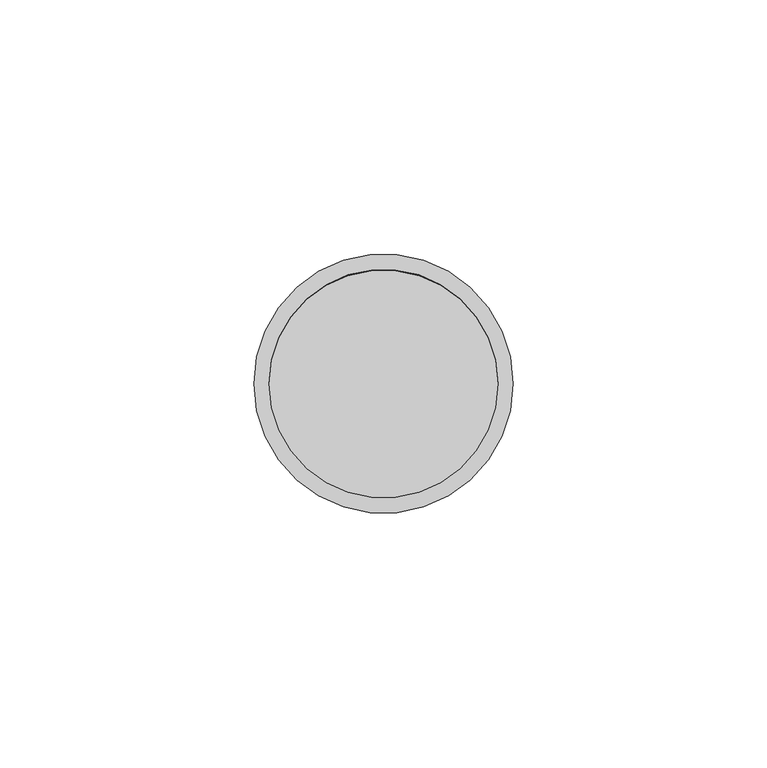
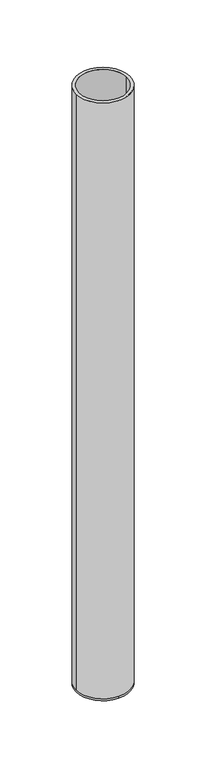
"""IFC4 building model written with IfcOpenShell, lengths in millimetres: beam geometry."""

import ifcopenshell
import ifcopenshell.guid

model = None  # the IFC model being written
_history = None  # IfcOwnerHistory: only IFC2X3 demands one
_inside = {}  # id of a spatial element -> (the spatial element, [elements in it])
_under = {}  # id of a project, library or spatial element -> (it, [spatial elements below it])
_declared = {}  # id of a project -> (the project, [libraries it declares])
_typed = {}  # id of a type object -> (the type object, [elements of that type])
_made_of = {}  # id of a material, layer set ... -> (it, [elements and type objects made of it])


def new_model(schema):
    """Start an empty IFC model of exactly this schema.

    Asked for "IFC4X3", IfcOpenShell would pick the latest addendum, in which some entities
    have other attributes; the version numbers below select the first issue.
    IFC2X3 requires an IfcOwnerHistory on every rooted entity: one is made here for all.
    """
    global model, _history
    if schema == "IFC4X3":
        model = ifcopenshell.file(schema_version=(4, 3, 0, 0))
    else:
        model = ifcopenshell.file(schema=schema)
    _inside.clear()
    _under.clear()
    _declared.clear()
    _typed.clear()
    _made_of.clear()
    _history = None
    if model.schema == "IFC2X3":
        org = make("IfcOrganization", Name="unknown")
        user = make(
            "IfcPersonAndOrganization",
            ThePerson=make("IfcPerson", FamilyName="unknown"),
            TheOrganization=org,
        )
        app = make(
            "IfcApplication",
            ApplicationDeveloper=org,
            Version="unknown",
            ApplicationFullName="unknown",
            ApplicationIdentifier="unknown",
        )
        _history = make(
            "IfcOwnerHistory",
            OwningUser=user,
            OwningApplication=app,
            ChangeAction="ADDED",
            CreationDate=0,
        )
    return model


def make(cls, **values):
    """One entity of the class cls with the attributes given. An attribute that is None is left unset."""
    return model.create_entity(
        cls, **{name: value for name, value in values.items() if value is not None}
    )


def rooted(cls, **values):
    """An entity with a GlobalId (a new one), such as an element, a storey or a relation."""
    return make(cls, GlobalId=ifcopenshell.guid.new(), OwnerHistory=_history, **values)


def si_unit(unit_type, name, prefix=None):
    """IfcSIUnit, for example si_unit("LENGTHUNIT", "METRE", prefix="MILLI")."""
    return make("IfcSIUnit", UnitType=unit_type, Prefix=prefix, Name=name)


def assignment(units):
    """IfcUnitAssignment: the units of a project."""
    return None if units is None else make("IfcUnitAssignment", Units=units)


def point(xyz):
    """IfcCartesianPoint."""
    return None if xyz is None else make("IfcCartesianPoint", Coordinates=xyz)


def direction(xyz):
    """IfcDirection."""
    return None if xyz is None else make("IfcDirection", DirectionRatios=xyz)


def frame(location, z_axis=None, x_axis=None):
    """IfcAxis2Placement3D, a coordinate frame: its origin and axes. An axis left out is left unset."""
    return make(
        "IfcAxis2Placement3D",
        Location=point(location),
        Axis=direction(z_axis),
        RefDirection=direction(x_axis),
    )


def origin():
    """The frame at (0, 0, 0) with its axes left unset."""
    return frame((0.0, 0.0, 0.0))


def place(relative_to, where):
    """IfcLocalPlacement: puts the frame where relative to a parent placement (None: the world)."""
    return make(
        "IfcLocalPlacement", PlacementRelTo=relative_to, RelativePlacement=where
    )


def context(
    kind, dimensions, precision=None, world=None, true_north=None, identifier=None
):
    """IfcGeometricRepresentationContext, for example the 3D "Model" context."""
    return make(
        "IfcGeometricRepresentationContext",
        ContextIdentifier=identifier,
        ContextType=kind,
        CoordinateSpaceDimension=dimensions,
        Precision=precision,
        WorldCoordinateSystem=world,
        TrueNorth=true_north,
    )


def project(units=None, contexts=None):
    """IfcProject with its units and contexts."""
    return rooted(
        "IfcProject",
        Name="project",
        RepresentationContexts=contexts,
        UnitsInContext=assignment(units),
    )


def spatial(cls, under=None, at=None, **own):
    """A site, building, storey or space (cls), placed at a placement, below another one or the project."""
    s = rooted(cls, ObjectPlacement=at, **own)
    if under is not None:
        _under.setdefault(under.id(), (under, []))[1].append(s)
    return s


def polyline(points):
    """IfcPolyline through the points."""
    return make("IfcPolyline", Points=[point(p) for p in points])


def circle_curve(where, radius):
    """IfcCircle in the frame where."""
    return make("IfcCircle", Position=where, Radius=radius)


def shape(context_of_items, identifier, shape_type, items):
    """IfcShapeRepresentation: the items that make up one representation, for example the "Body"."""
    return make(
        "IfcShapeRepresentation",
        ContextOfItems=context_of_items,
        RepresentationIdentifier=identifier,
        RepresentationType=shape_type,
        Items=items,
    )


def source(mapping_origin, context_of_items, identifier, shape_type, items):
    """IfcRepresentationMap: a shape defined once, which mapped items show again and again."""
    return make(
        "IfcRepresentationMap",
        MappingOrigin=mapping_origin,
        MappedRepresentation=shape(context_of_items, identifier, shape_type, items),
    )


def transform(
    local_origin,
    x_axis=None,
    y_axis=None,
    z_axis=None,
    scale=None,
    scale2=None,
    scale3=None,
    uniform=True,
):
    """IfcCartesianTransformationOperator3D, or its non-uniform kind. x_axis, y_axis, z_axis: its Axis1, 2, 3."""
    if uniform:
        return make(
            "IfcCartesianTransformationOperator3D",
            Axis1=direction(x_axis),
            Axis2=direction(y_axis),
            LocalOrigin=point(local_origin),
            Scale=scale,
            Axis3=direction(z_axis),
        )
    return make(
        "IfcCartesianTransformationOperator3DnonUniform",
        Axis1=direction(x_axis),
        Axis2=direction(y_axis),
        LocalOrigin=point(local_origin),
        Scale=scale,
        Axis3=direction(z_axis),
        Scale2=scale2,
        Scale3=scale3,
    )


def mapped(mapping_source, mapping_target):
    """IfcMappedItem: shows the shape of a source again, moved by a transform."""
    return make(
        "IfcMappedItem", MappingSource=mapping_source, MappingTarget=mapping_target
    )


def made_of(thing, what):
    """Note that an element or type object is made of a material, layer set ...; save() writes the relation."""
    if what is not None:
        _made_of.setdefault(what.id(), (what, []))[1].append(thing)
    return thing


def element(
    cls,
    number,
    at=None,
    inside=None,
    cuts=None,
    type_object=None,
    material=None,
    context=None,
    identifier="Body",
    shape_type=None,
    held_by="IfcProductDefinitionShape",
    body=None,
    shapes=None,
    **own,
):
    """One element of the class cls, such as IfcWall. Its Tag is "e" and its number.

    at: its placement. inside: the storey or other place that contains it. cuts: it is an
    opening in that element (IfcRelVoidsElement). A single representation is given by context,
    identifier, shape_type and body (its items); several are given by shapes. held_by: the class
    of the entity that holds the representations. save() writes the other relations.
    """
    e = rooted(cls, Tag="e%d" % number, ObjectPlacement=at, **own)
    if body is not None:
        shapes = [shape(context, identifier, shape_type, body)]
    if shapes is not None:
        e.Representation = make(held_by, Representations=shapes)
    if inside is not None:
        _inside.setdefault(inside.id(), (inside, []))[1].append(e)
    if cuts is not None:
        rooted(
            "IfcRelVoidsElement", RelatingBuildingElement=cuts, RelatedOpeningElement=e
        )
    if type_object is not None:
        _typed.setdefault(type_object.id(), (type_object, []))[1].append(e)
    return made_of(e, material)


def aggregate(whole, parts):
    """IfcRelAggregates: a whole, such as a stair, and the parts it consists of."""
    return rooted("IfcRelAggregates", RelatingObject=whole, RelatedObjects=parts)


def save(model, path):
    """Write the relations noted so far, then the file.

    IfcRelAggregates (storeys below a building ...), IfcRelContainedInSpatialStructure (elements
    in a storey), IfcRelDefinesByType, IfcRelAssociatesMaterial and IfcRelDeclares: one each for
    every whole, place, type object, material and project.
    """
    for whole, parts in _under.values():
        aggregate(whole, parts)
    for where, things in _inside.values():
        rooted(
            "IfcRelContainedInSpatialStructure",
            RelatedElements=things,
            RelatingStructure=where,
        )
    for kind, things in _typed.values():
        rooted("IfcRelDefinesByType", RelatedObjects=things, RelatingType=kind)
    for what, things in _made_of.values():
        rooted("IfcRelAssociatesMaterial", RelatedObjects=things, RelatingMaterial=what)
    for by, libraries in _declared.values():
        rooted("IfcRelDeclares", RelatingContext=by, RelatedDefinitions=libraries)
    model.write(path)


def plane_surface(at):
    """IfcPlane: the flat surface through the origin of the frame at, square to its z axis."""
    return make("IfcPlane", Position=at)


def cylinder_surface(at, radius):
    """IfcCylindricalSurface: all points at the distance radius from the z axis of the frame at."""
    return make("IfcCylindricalSurface", Position=at, Radius=radius)


def revolved_surface(curve, axis_point, axis_direction):
    """IfcSurfaceOfRevolution: the curve turned about the line through axis_point along axis_direction."""
    return make(
        "IfcSurfaceOfRevolution",
        SweptCurve=make("IfcArbitraryOpenProfileDef", ProfileType="CURVE", Curve=curve),
        AxisPosition=make("IfcAxis1Placement", Location=point(axis_point), Axis=direction(axis_direction)),
    )


def advanced_brep(points, edges, surfaces, faces):
    """IfcAdvancedBrep: a solid bounded by faces that lie on surfaces and meet in shared edges.

    An edge is (start, end): straight between two places in points (the first is 0);
    or (start, end, curve); or (start, end, curve, False) where it runs against its curve.
    A face is (place in surfaces, loops), or (place, loops, False) where it looks against
    its surface's normal. A loop lists edges by number (the first is 1), with a minus sign
    where the edge is run from its end to its start. The first loop is the outer one.
    """
    corners = [point(p) for p in points]
    vertices = [make("IfcVertexPoint", VertexGeometry=c) for c in corners]
    made = []
    for start, end, *more in edges:
        made.append(
            make(
                "IfcEdgeCurve",
                EdgeStart=vertices[start],
                EdgeEnd=vertices[end],
                EdgeGeometry=more[0] if more else make("IfcPolyline", Points=[corners[start], corners[end]]),
                SameSense=more[1] if len(more) > 1 else True,
            )
        )
    hull = []
    for where, loops, *sense in faces:
        bounds = []
        for j, loop in enumerate(loops):
            ring = [make("IfcOrientedEdge", EdgeElement=made[abs(k) - 1], Orientation=k > 0) for k in loop]
            bounds.append(
                make(
                    "IfcFaceOuterBound" if j == 0 else "IfcFaceBound",
                    Bound=make("IfcEdgeLoop", EdgeList=ring),
                    Orientation=True,
                )
            )
        hull.append(make("IfcAdvancedFace", Bounds=bounds, FaceSurface=surfaces[where], SameSense=sense[0] if sense else True))
    return make("IfcAdvancedBrep", Outer=make("IfcClosedShell", CfsFaces=hull))


def beam_248efab0(model_context):
    return source(origin(), model_context, "Body", "AdvancedBrep", [
        advanced_brep(
        [(25.5, 0.0, 0.0), (-25.5, 0.0, 0.0), (22.5, 0.0, 0.0), (-22.5, 0.0, 0.0), (22.5, 0.0, -598.0), (-22.5, 0.0, -598.0), (25.5, 0.0, -598.0), (0.0, 25.5, -598.0), (-25.5, 0.0, -598.0), (0.0, -25.5, -598.0), (0.0, 25.5, -600.0), (0.0, -25.5, -600.0)],
        [
            (0, 1, circle_curve(frame((0.0, 0.0, 0.0), z_axis=(0.0, 0.0, 1.0), x_axis=(-1.0, 0.0, 0.0)), 25.5)),
            (1, 0, circle_curve(frame((0.0, 0.0, 0.0), z_axis=(0.0, 0.0, 1.0), x_axis=(-1.0, 0.0, 0.0)), 25.5)),
            (2, 3, circle_curve(frame((0.0, 0.0, 0.0), z_axis=(0.0, 0.0, -1.0), x_axis=(-1.0, 0.0, 0.0)), 22.5)),
            (3, 2, circle_curve(frame((0.0, 0.0, 0.0), z_axis=(0.0, 0.0, -1.0), x_axis=(-1.0, 0.0, 0.0)), 22.5)),
            (2, 4),
            (4, 5, circle_curve(frame((0.0, 0.0, -598.0), z_axis=(0.0, 0.0, -1.0), x_axis=(-1.0, 0.0, 0.0)), 22.5)),
            (5, 3),
            (5, 4, circle_curve(frame((0.0, 0.0, -598.0), z_axis=(0.0, 0.0, -1.0), x_axis=(-1.0, 0.0, 0.0)), 22.5)),
            (0, 6),
            (6, 7, circle_curve(frame((0.0, 0.0, -598.0), z_axis=(0.0, 0.0, 1.0), x_axis=(-1.0, 0.0, 0.0)), 25.5)),
            (7, 8, circle_curve(frame((0.0, 0.0, -598.0), z_axis=(0.0, 0.0, 1.0), x_axis=(-1.0, 0.0, 0.0)), 25.5)),
            (8, 1),
            (8, 9, circle_curve(frame((0.0, 0.0, -598.0), z_axis=(0.0, 0.0, 1.0), x_axis=(-1.0, 0.0, 0.0)), 25.5)),
            (9, 6, circle_curve(frame((0.0, 0.0, -598.0), z_axis=(0.0, 0.0, 1.0), x_axis=(-1.0, 0.0, 0.0)), 25.5)),
            (10, 11, circle_curve(frame((0.0, 0.0, -600.0), z_axis=(0.0, 0.0, -1.0), x_axis=(0.0, -1.0, 0.0)), 25.5)),
            (11, 10, circle_curve(frame((0.0, 0.0, -600.0), z_axis=(0.0, 0.0, -1.0), x_axis=(0.0, -1.0, 0.0)), 25.5)),
            (11, 9),
            (7, 10),
        ],
        [
            plane_surface(frame((0.0, 0.0, 0.0), z_axis=(0.0, 0.0, 1.0), x_axis=(0.0, -1.0, 0.0))),
            revolved_surface(polyline([(-22.5, 0.0, 0.0), (-22.5, 0.0, -598.0)]), (0.0, 0.0, -598.0), (0.0, 0.0, 1.0)),
            cylinder_surface(frame((0.0, 0.0, -598.0), z_axis=(0.0, 0.0, -1.0), x_axis=(-1.0, 0.0, 0.0)), 25.5),
            plane_surface(frame((0.0, 0.0, -598.0), z_axis=(0.0, 0.0, 1.0), x_axis=(0.0, -1.0, 0.0))),
            plane_surface(frame((0.0, 0.0, -600.0), z_axis=(0.0, 0.0, -1.0), x_axis=(0.0, -1.0, 0.0))),
            cylinder_surface(frame((0.0, 0.0, -598.0), z_axis=(0.0, 0.0, 1.0), x_axis=(0.0, -1.0, 0.0)), 25.5),
        ],
        [
            (0, [[1, 2], [3, 4]]),
            (1, [[-3, 5, 6, 7]]),
            (1, [[-4, -7, 8, -5]]),
            (2, [[-1, 9, 10, 11, 12]]),
            (2, [[-2, -12, 13, 14, -9]]),
            (3, [[-6, -8]]),
            (4, [[15, 16]]),
            (5, [[-16, 17, -13, -11, 18]]),
            (5, [[-15, -18, -10, -14, -17]]),
        ],
    ),
    ])


if __name__ == "__main__":
    model = new_model("IFC4")
    model_context = context("Model", 3, world=origin())
    ifc_project = project(units=[si_unit("LENGTHUNIT", "METRE", prefix="MILLI")], contexts=[model_context])
    site = spatial("IfcSite", under=ifc_project)
    building = spatial("IfcBuilding", under=site)
    placement = place(None, origin())
    beam_shape = beam_248efab0(model_context)
    element("IfcBeam", 1, at=placement, inside=building, context=model_context, shape_type="MappedRepresentation", body=[
        mapped(beam_shape, transform((0.0, 0.0, 0.0), x_axis=(1.0, 0.0, 0.0), y_axis=(0.0, 1.0, 0.0), z_axis=(0.0, 0.0, 1.0))),
    ])
    save(model, "model.ifc")
